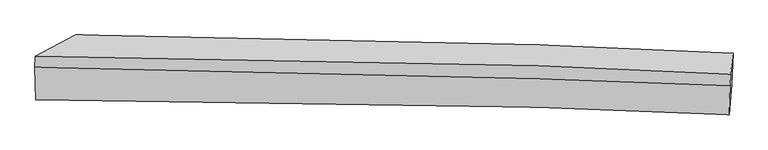
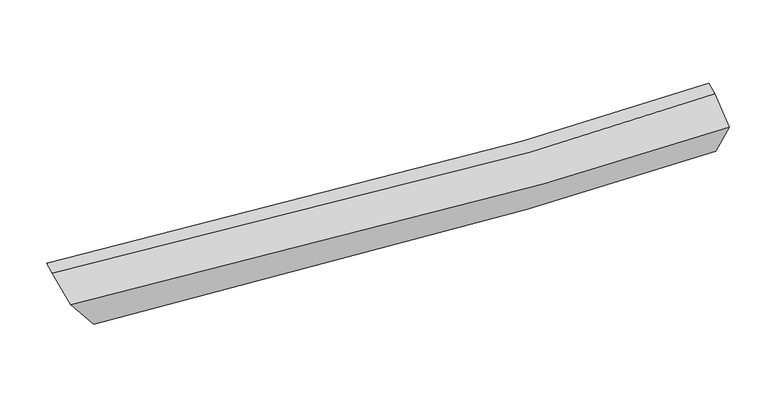
"""IFC4 building model written with IfcOpenShell, lengths in millimetres: proxy geometry."""

from ifc_helpers import new_model, si_unit, frame, origin, place, context, project, spatial, source, transform, mapped, element, save
from ifc_brep_helpers import plane_surface, spline_curve, spline_surface, advanced_brep


def generic_models_e6f7e751(model_context):
    return source(origin(), model_context, "Body", "AdvancedBrep", [
        advanced_brep(
        [(-3967.9343104, -1912.1411564, 2748.9269738), (-4040.9358582, -1574.1855786, 3028.1271409), (4025.5446354, -1800.0495016, 2728.3855566), (4012.0302795, -2183.6387079, 2511.6742203), (-4530.7352, -2371.0741968, 3493.3970022), (3978.1077023, -2554.4759235, 3080.6461161), (-4540.255171, -1972.1296536, 3692.8619275), (3989.652894, -2195.5185263, 3324.5481179), (-4534.8217182, -1835.8530547, 3746.2544898), (3995.2904834, -2054.1219716, 3379.946656)],
        [
            (0, 1),
            (1, 2, spline_curve(3, [(-4040.9358582, -1574.1855786, 3028.1271409), (-2238.391683167, -1581.264658432, 2811.154353873), (-352.03977341, -1621.674289791, 2698.167043448), (2407.152564291, -1724.946806145, 2685.560048384), (3209.627485892, -1759.825149642, 2698.633497603), (4025.5446354, -1800.0495016, 2728.3855566)], [4, 2, 4], [0.0, 18.827445130831734, 26.36768167297328])),
            (2, 3),
            (3, 0, spline_curve(3, [(4012.0302795, -2183.6387079, 2511.6742203), (3191.248965875, -2150.202745445, 2497.346533014), (2387.659170651, -2118.927636919, 2493.583260495), (-362.320795665, -2017.117116228, 2517.366381132), (-2218.719196905, -1957.8930411, 2600.213904951), (-3967.9343104, -1912.1411564, 2748.9269738)], [4, 2, 4], [0.0, 7.540236542141546, 26.36768167297328])),
            (4, 0),
            (3, 5),
            (5, 4, spline_curve(3, [(3978.1077023, -2554.4759235, 3080.6461161), (3197.465185974, -2518.447477834, 3059.555541679), (2408.119369117, -2487.722621489, 3055.747178771), (-382.60277221, -2398.826221158, 3102.86428942), (-2429.537923159, -2368.417168712, 3244.256280373), (-4530.7352, -2371.0741968, 3493.3970022)], [4, 2, 4], [0.0, 7.74855501555664, 27.09615685580207])),
            (6, 4),
            (5, 7),
            (7, 6, spline_curve(3, [(3989.652894, -2195.5185263, 3324.5481179), (3212.239060491, -2164.162871847, 3293.72881308), (2424.624427671, -2135.68455465, 3281.762501217), (-365.280535435, -2046.159712368, 3305.844745349), (-2420.968590705, -2000.175071585, 3440.58232711), (-4540.255171, -1972.1296536, 3692.8619275)], [4, 2, 4], [0.0, 8.011001474231694, 28.01391383064859])),
            (8, 6),
            (7, 9),
            (9, 8, spline_curve(3, [(3995.2904834, -2054.1219716, 3379.946656), (3218.14421741, -2016.055446266, 3351.756640533), (2430.715072619, -1982.924896086, 3341.613052706), (-358.828277287, -1884.330433424, 3369.248733378), (-2414.76986643, -1844.704677391, 3501.494932447), (-4534.8217182, -1835.8530547, 3746.2544898)], [4, 2, 4], [0.0, 8.020673580870827, 28.047736513470593])),
            (1, 8),
            (9, 2),
        ],
        [
            spline_surface(3, 3, [[(-3967.9343104, -1912.1411564, 2748.9269738), (-2218.719197125, -1957.893041288, 2600.213905086), (-362.320795744, -2017.117116453, 2517.366381419), (2387.659170682, -2118.927636829, 2493.58326038), (3191.248965912, -2150.202745539, 2497.346532914), (4012.0302795, -2183.6387079, 2511.6742203)], [(-3992.268159658, -1799.489297135, 2841.993696161), (-2225.276692409, -1832.35024706, 2670.527388011), (-358.893788278, -1885.302840807, 2577.633268674), (2394.156968533, -1987.600693277, 2557.575523063), (3197.375139194, -2020.076880241, 2564.442187848), (4016.535064789, -2055.775639144, 2583.911332404)], [(-4016.602008942, -1686.837437865, 2935.060418539), (-2231.834187718, -1706.807452828, 2740.840870952), (-355.466780789, -1753.48856522, 2637.900155972), (2400.654766405, -1856.273749783, 2621.567785789), (3203.501312508, -1889.951014911, 2631.53784277), (4021.039850111, -1927.912570356, 2656.148444496)], [(-4040.9358582, -1574.1855786, 3028.1271409), (-2238.391683002, -1581.264658601, 2811.154353877), (-352.039773322, -1621.674289575, 2698.167043227), (2407.152564255, -1724.946806231, 2685.560048472), (3209.627485791, -1759.825149614, 2698.633497704), (4025.5446354, -1800.0495016, 2728.3855566)]], [4, 4], [4, 2, 4], [0.0, 1.426043317896798], [0.0, 18.827445130831734, 26.36768167297328]),
            spline_surface(3, 3, [[(-4530.7352, -2371.0741968, 3493.3970022), (-2429.537923256, -2368.41716899, 3244.25628067), (-382.602772496, -2398.826221415, 3102.864289154), (2408.119369232, -2487.722621386, 3055.747178877), (3197.46518588, -2518.447477887, 3059.55554164), (3978.1077023, -2554.4759235, 3080.6461161)], [(-4343.134903458, -2218.096516669, 3245.240326092), (-2359.265014537, -2231.575793092, 3029.575488834), (-375.84211358, -2271.589853094, 2907.698319927), (2401.299303047, -2364.790959867, 2868.359206063), (3195.393112565, -2395.699233766, 2872.152538714), (3989.415228041, -2430.863518295, 2890.988817483)], [(-4155.534606942, -2065.118836531, 2997.083649908), (-2288.992105845, -2094.734417186, 2814.894696922), (-369.08145466, -2144.353484774, 2712.532350646), (2394.479236867, -2241.859298349, 2680.971233194), (3193.321039226, -2272.95098966, 2684.74953584), (4000.722753759, -2307.251113105, 2701.331518917)], [(-3967.9343104, -1912.1411564, 2748.9269738), (-2218.719197125, -1957.893041288, 2600.213905086), (-362.320795744, -2017.117116453, 2517.366381419), (2387.659170682, -2118.927636829, 2493.58326038), (3191.248965912, -2150.202745539, 2497.346532914), (4012.0302795, -2183.6387079, 2511.6742203)]], [4, 4], [4, 2, 4], [0.0, 2.3358662487444093], [0.0, 19.34760184024543, 27.09615685580207]),
            spline_surface(3, 3, [[(-4540.255171, -1972.1296536, 3692.8619275), (-2420.968590599, -2000.175071866, 3440.582326905), (-365.280535144, -2046.15971221, 3305.84474521), (2424.624427555, -2135.684554713, 3281.762501272), (3212.239060407, -2164.162871896, 3293.728813137), (3989.652894, -2195.5185263, 3324.5481179)], [(-4537.081847339, -2105.111168018, 3626.373619035), (-2423.825034824, -2122.922437593, 3375.140311462), (-371.054614254, -2163.715215272, 3238.184593171), (2419.122741455, -2253.030576932, 3206.424060453), (3207.314435558, -2282.257740544, 3215.671055985), (3985.80449676, -2315.170992018, 3243.247450647)], [(-4533.908523661, -2238.092682382, 3559.885310665), (-2426.681479031, -2245.669803264, 3309.698296113), (-376.828693386, -2281.270718353, 3170.524441194), (2413.621055332, -2370.376599168, 3131.085619696), (3202.38981073, -2400.352609239, 3137.613298792), (3981.95609954, -2434.823457782, 3161.946783353)], [(-4530.7352, -2371.0741968, 3493.3970022), (-2429.537923256, -2368.41716899, 3244.25628067), (-382.602772496, -2398.826221415, 3102.864289154), (2408.119369232, -2487.722621386, 3055.747178877), (3197.46518588, -2518.447477887, 3059.55554164), (3978.1077023, -2554.4759235, 3080.6461161)]], [4, 4], [4, 2, 4], [0.0, 1.3543766079963193], [0.0, 20.002912356416896, 28.01391383064859]),
            spline_surface(3, 3, [[(-4534.8217182, -1835.8530547, 3746.2544898), (-2414.76986641, -1844.704677656, 3501.494932414), (-358.828277322, -1884.330433248, 3369.248733378), (2430.715072633, -1982.924896156, 3341.613052706), (3218.144217398, -2016.055446196, 3351.756640498), (3995.2904834, -2054.1219716, 3379.946656)], [(-4536.632869152, -1881.278587641, 3728.456969039), (-2416.836107826, -1896.528142368, 3481.190730583), (-360.979029948, -1938.273526251, 3348.114070658), (2428.684857588, -2033.844782357, 3321.662868897), (3216.175831722, -2065.424588091, 3332.414031377), (3993.411286921, -2101.254156495, 3361.480476632)], [(-4538.444020048, -1926.704120659, 3710.659448261), (-2418.902349184, -1948.351607155, 3460.886528735), (-363.129782518, -1992.216619207, 3326.979407931), (2426.6546426, -2084.764668512, 3301.712685082), (3214.207446083, -2114.793730001, 3313.071422258), (3991.532090479, -2148.386341405, 3343.014297268)], [(-4540.255171, -1972.1296536, 3692.8619275), (-2420.968590599, -2000.175071866, 3440.582326905), (-365.280535144, -2046.15971221, 3305.84474521), (2424.624427555, -2135.684554713, 3281.762501272), (3212.239060407, -2164.162871896, 3293.728813137), (3989.652894, -2195.5185263, 3324.5481179)]], [4, 4], [4, 2, 4], [0.0, 0.5561251260505026], [0.0, 20.027062932599765, 28.047736513470593]),
            spline_surface(3, 3, [[(-4040.9358582, -1574.1855786, 3028.1271409), (-2238.391683002, -1581.264658601, 2811.154353877), (-352.039773322, -1621.674289575, 2698.167043227), (2407.152564255, -1724.946806231, 2685.560048472), (3209.627485791, -1759.825149614, 2698.633497704), (4025.5446354, -1800.0495016, 2728.3855566)], [(-4205.564478193, -1661.408070636, 3267.502923872), (-2297.184410797, -1669.077998288, 3041.267880061), (-354.302607969, -1709.226337476, 2921.860939959), (2415.006733734, -1810.939502883, 2904.244383232), (3212.466396348, -1845.235248489, 2916.34121197), (4015.459918088, -1884.740324948, 2945.572589735)], [(-4370.193098207, -1748.630562664, 3506.878706828), (-2355.977138615, -1756.891337968, 3271.381406229), (-356.565442675, -1796.778385347, 3145.554836646), (2422.860903154, -1896.932199504, 3122.928717947), (3215.30530684, -1930.645347321, 3134.048926232), (4005.375200712, -1969.431148252, 3162.759622865)], [(-4534.8217182, -1835.8530547, 3746.2544898), (-2414.76986641, -1844.704677656, 3501.494932414), (-358.828277322, -1884.330433248, 3369.248733378), (2430.715072633, -1982.924896156, 3341.613052706), (3218.144217398, -2016.055446196, 3351.756640498), (3995.2904834, -2054.1219716, 3379.946656)]], [4, 4], [4, 2, 4], [0.0, 2.3713354690902397], [0.0, 19.481364355815785, 27.28349015598306]),
            plane_surface(frame((4000.1251989, -2157.5609262, 3005.0401334), z_axis=(0.9983765719077852, -0.05028623007229269, 0.02674912579460522), x_axis=(-0.026593644288125773, -0.8268364497433833, -0.5618133706661262))),
            plane_surface(frame((-4322.9364516, -1933.076728, 3341.9135069), z_axis=(-0.8390864394276137, 0.22712565356463926, -0.49431557193914605), x_axis=(0.16426800812779122, -0.760467295455024, -0.6282559303731634))),
        ],
        [
            (0, [[1, 2, 3, 4]]),
            (1, [[5, -4, 6, 7]]),
            (2, [[8, -7, 9, 10]]),
            (3, [[11, -10, 12, 13]]),
            (4, [[14, -13, 15, -2]]),
            (5, [[-9, -6, -3, -15, -12]]),
            (6, [[-1, -5, -8, -11, -14]]),
        ],
    ),
    ])


if __name__ == "__main__":
    model = new_model("IFC4")
    model_context = context("Model", 3, world=origin())
    ifc_project = project(units=[si_unit("LENGTHUNIT", "METRE", prefix="MILLI")], contexts=[model_context])
    site = spatial("IfcSite", under=ifc_project)
    building = spatial("IfcBuilding", under=site)
    placement = place(None, origin())
    generic_models_shape = generic_models_e6f7e751(model_context)
    element("IfcBuildingElementProxy", 1, Name="Generic Models", at=placement, inside=building, context=model_context, shape_type="MappedRepresentation", body=[
        mapped(generic_models_shape, transform((0.0, 0.0, 0.0), x_axis=(1.0, 0.0, 0.0), y_axis=(0.0, 1.0, 0.0), z_axis=(0.0, 0.0, 1.0))),
    ])
    save(model, "model.ifc")
